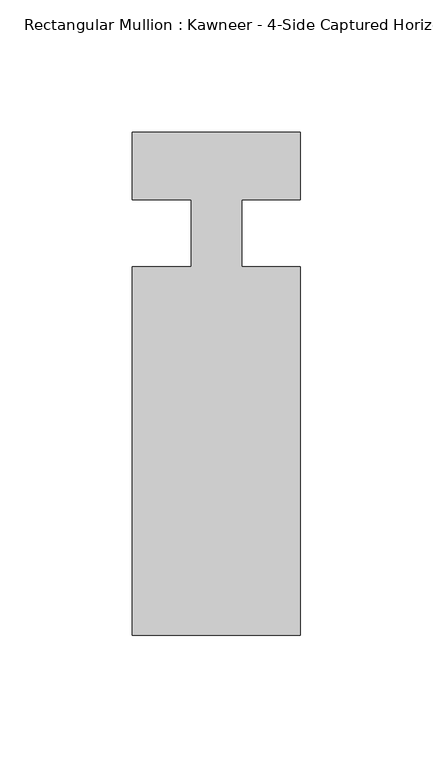
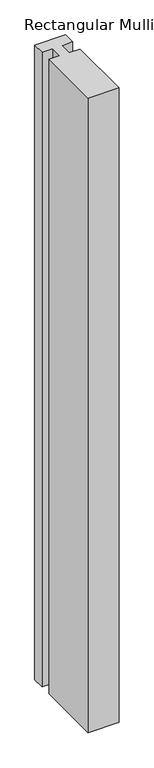
"""IFC4 building model written with IfcOpenShell, lengths in millimetres: member geometry."""

from ifc_helpers import new_model, si_unit, frame, origin, place, context, project, spatial, polyline, outline, extrude, source, transform, mapped, element, save


def member_ce3f850e(model_context):
    return source(origin(), model_context, "Body", "SweptSolid", [
        extrude(outline(polyline([(-9.525, 12.7), (-31.75, 12.7), (-31.75, 38.1), (31.75, 38.1), (31.75, 12.7), (9.5251132, 12.7), (9.5251132, -12.7), (31.75, -12.7), (31.75, -151.892), (-31.75, -151.892), (-31.75, -12.7), (-9.525, -12.7), (-9.525, 12.7)])), frame((0.0, 0.0, -1380.126542), z_axis=(0.0, 0.0, 1.0), x_axis=(1.0, 0.0, 0.0)), (0.0, 0.0, 1.0), 1380.126542),
    ])


if __name__ == "__main__":
    model = new_model("IFC4")
    model_context = context("Model", 3, world=origin())
    ifc_project = project(units=[si_unit("LENGTHUNIT", "METRE", prefix="MILLI")], contexts=[model_context])
    site = spatial("IfcSite", under=ifc_project)
    building = spatial("IfcBuilding", under=site)
    placement = place(None, origin())
    member_shape = member_ce3f850e(model_context)
    element("IfcMember", 1, ObjectType="Rectangular Mullion : Kawneer - 4-Side Captured Horizontal Mullion - 7 1/2\"", at=placement, inside=building, context=model_context, shape_type="MappedRepresentation", body=[
        mapped(member_shape, transform((0.0, 0.0, 0.0), x_axis=(1.0, 0.0, 0.0), y_axis=(0.0, 1.0, 0.0), z_axis=(0.0, 0.0, 1.0))),
    ])
    save(model, "model.ifc")
